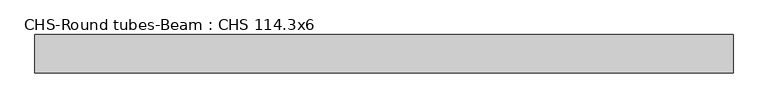
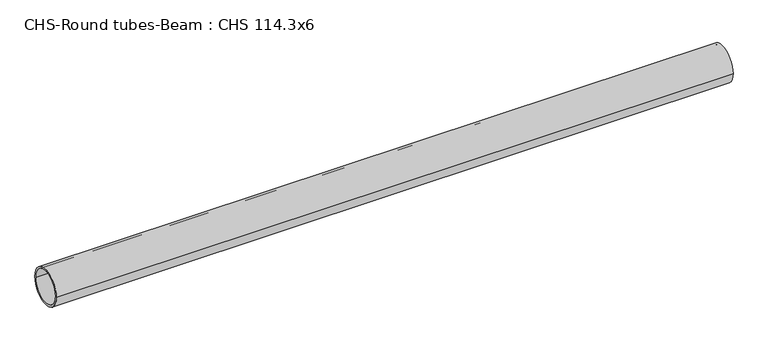
"""IFC4 building model written with IfcOpenShell, lengths in millimetres: beam geometry, CHS-Round tubes-Beam : CHS 114.3x6."""

from ifc_helpers import new_model, si_unit, point, frame, origin, origin_2d, place, context, project, spatial, circle_curve, trimmed, segment, composite_curve, outline, extrude, source, transform, mapped, element, save


def chs_round_tubes_beam_chs_114_3x6_39d38326(model_context):
    return source(origin(), model_context, "Body", "SweptSolid", [
        extrude(outline(composite_curve([segment(trimmed(circle_curve(origin_2d(), 57.15), [point((57.15, 0.0))], [point((-57.15, 0.0))], False, "CARTESIAN"), True, "CONTINUOUS"), segment(trimmed(circle_curve(origin_2d(), 57.15), [point((-57.15, 0.0))], [point((57.15, 0.0))], False, "CARTESIAN"), True, "CONTINUOUS")], self_intersect=False), holes=[composite_curve([segment(trimmed(circle_curve(origin_2d(), 51.15), [point((51.15, 0.0))], [point((-51.15, 0.0))], True, "CARTESIAN"), True, "CONTINUOUS"), segment(trimmed(circle_curve(origin_2d(), 51.15), [point((-51.15, 0.0))], [point((51.15, 0.0))], True, "CARTESIAN"), True, "CONTINUOUS")], self_intersect=False)]), frame((-1026.4853042, 0.0, 0.0), z_axis=(1.0, 0.0, 0.0), x_axis=(0.0, 1.0, 0.0)), (0.0, 0.0, 1.0), 2089.7969039),
    ])


if __name__ == "__main__":
    model = new_model("IFC4")
    model_context = context("Model", 3, world=origin())
    ifc_project = project(units=[si_unit("LENGTHUNIT", "METRE", prefix="MILLI")], contexts=[model_context])
    site = spatial("IfcSite", under=ifc_project)
    building = spatial("IfcBuilding", under=site)
    placement = place(None, origin())
    chs_round_tubes_beam_chs_114_3x6_shape = chs_round_tubes_beam_chs_114_3x6_39d38326(model_context)
    element("IfcBeam", 1, ObjectType="CHS-Round tubes-Beam : CHS 114.3x6", at=placement, inside=building, context=model_context, shape_type="MappedRepresentation", body=[
        mapped(chs_round_tubes_beam_chs_114_3x6_shape, transform((0.0, 0.0, 0.0), x_axis=(1.0, 0.0, 0.0), y_axis=(0.0, 1.0, 0.0), z_axis=(0.0, 0.0, 1.0))),
    ])
    save(model, "model.ifc")
